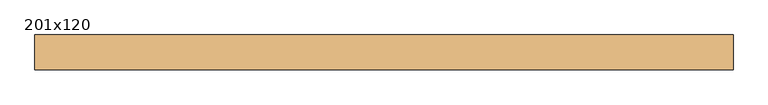
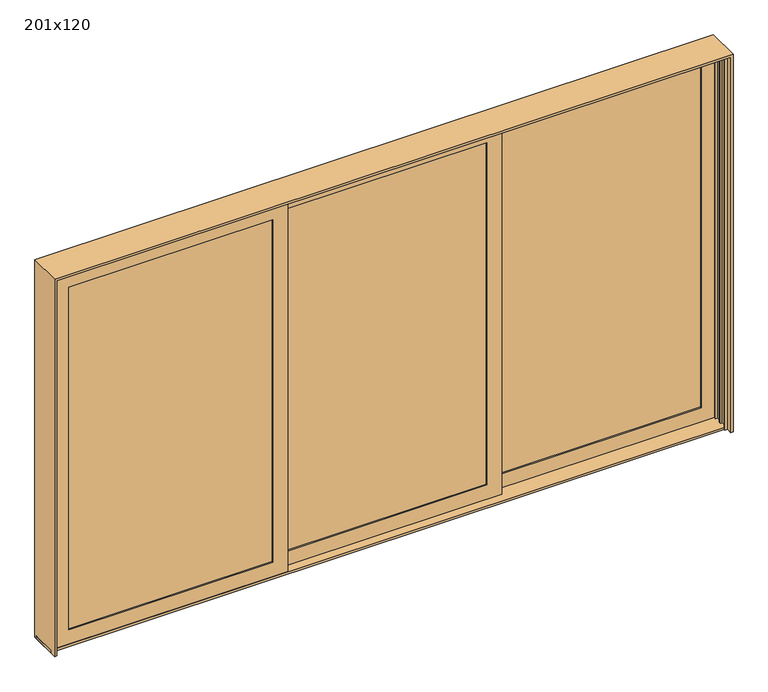
"""IFC4 building model written with IfcOpenShell, lengths in millimetres: door geometry, 201x120."""

import ifcopenshell
import ifcopenshell.guid

model = None  # the IFC model being written
_history = None  # IfcOwnerHistory: only IFC2X3 demands one
_inside = {}  # id of a spatial element -> (the spatial element, [elements in it])
_under = {}  # id of a project, library or spatial element -> (it, [spatial elements below it])
_declared = {}  # id of a project -> (the project, [libraries it declares])
_typed = {}  # id of a type object -> (the type object, [elements of that type])
_made_of = {}  # id of a material, layer set ... -> (it, [elements and type objects made of it])


def new_model(schema):
    """Start an empty IFC model of exactly this schema.

    Asked for "IFC4X3", IfcOpenShell would pick the latest addendum, in which some entities
    have other attributes; the version numbers below select the first issue.
    IFC2X3 requires an IfcOwnerHistory on every rooted entity: one is made here for all.
    """
    global model, _history
    if schema == "IFC4X3":
        model = ifcopenshell.file(schema_version=(4, 3, 0, 0))
    else:
        model = ifcopenshell.file(schema=schema)
    _inside.clear()
    _under.clear()
    _declared.clear()
    _typed.clear()
    _made_of.clear()
    _history = None
    if model.schema == "IFC2X3":
        org = make("IfcOrganization", Name="unknown")
        user = make(
            "IfcPersonAndOrganization",
            ThePerson=make("IfcPerson", FamilyName="unknown"),
            TheOrganization=org,
        )
        app = make(
            "IfcApplication",
            ApplicationDeveloper=org,
            Version="unknown",
            ApplicationFullName="unknown",
            ApplicationIdentifier="unknown",
        )
        _history = make(
            "IfcOwnerHistory",
            OwningUser=user,
            OwningApplication=app,
            ChangeAction="ADDED",
            CreationDate=0,
        )
    return model


def make(cls, **values):
    """One entity of the class cls with the attributes given. An attribute that is None is left unset."""
    return model.create_entity(
        cls, **{name: value for name, value in values.items() if value is not None}
    )


def rooted(cls, **values):
    """An entity with a GlobalId (a new one), such as an element, a storey or a relation."""
    return make(cls, GlobalId=ifcopenshell.guid.new(), OwnerHistory=_history, **values)


def si_unit(unit_type, name, prefix=None):
    """IfcSIUnit, for example si_unit("LENGTHUNIT", "METRE", prefix="MILLI")."""
    return make("IfcSIUnit", UnitType=unit_type, Prefix=prefix, Name=name)


def assignment(units):
    """IfcUnitAssignment: the units of a project."""
    return None if units is None else make("IfcUnitAssignment", Units=units)


def point(xyz):
    """IfcCartesianPoint."""
    return None if xyz is None else make("IfcCartesianPoint", Coordinates=xyz)


def direction(xyz):
    """IfcDirection."""
    return None if xyz is None else make("IfcDirection", DirectionRatios=xyz)


def frame(location, z_axis=None, x_axis=None):
    """IfcAxis2Placement3D, a coordinate frame: its origin and axes. An axis left out is left unset."""
    return make(
        "IfcAxis2Placement3D",
        Location=point(location),
        Axis=direction(z_axis),
        RefDirection=direction(x_axis),
    )


def origin():
    """The frame at (0, 0, 0) with its axes left unset."""
    return frame((0.0, 0.0, 0.0))


def place(relative_to, where):
    """IfcLocalPlacement: puts the frame where relative to a parent placement (None: the world)."""
    return make(
        "IfcLocalPlacement", PlacementRelTo=relative_to, RelativePlacement=where
    )


def context(
    kind, dimensions, precision=None, world=None, true_north=None, identifier=None
):
    """IfcGeometricRepresentationContext, for example the 3D "Model" context."""
    return make(
        "IfcGeometricRepresentationContext",
        ContextIdentifier=identifier,
        ContextType=kind,
        CoordinateSpaceDimension=dimensions,
        Precision=precision,
        WorldCoordinateSystem=world,
        TrueNorth=true_north,
    )


def project(units=None, contexts=None):
    """IfcProject with its units and contexts."""
    return rooted(
        "IfcProject",
        Name="project",
        RepresentationContexts=contexts,
        UnitsInContext=assignment(units),
    )


def spatial(cls, under=None, at=None, **own):
    """A site, building, storey or space (cls), placed at a placement, below another one or the project."""
    s = rooted(cls, ObjectPlacement=at, **own)
    if under is not None:
        _under.setdefault(under.id(), (under, []))[1].append(s)
    return s


def polyline(points):
    """IfcPolyline through the points."""
    return make("IfcPolyline", Points=[point(p) for p in points])


def outline(outer, holes=None, kind="AREA"):
    """IfcArbitraryClosedProfileDef: a profile drawn as a closed curve; with holes, ...WithVoids."""
    if holes is None:
        return make("IfcArbitraryClosedProfileDef", ProfileType=kind, OuterCurve=outer)
    return make(
        "IfcArbitraryProfileDefWithVoids",
        ProfileType=kind,
        OuterCurve=outer,
        InnerCurves=holes,
    )


def extrude(swept, where, along, depth):
    """IfcExtrudedAreaSolid: the profile swept, set in the frame where, extruded along a direction by depth."""
    return make(
        "IfcExtrudedAreaSolid",
        SweptArea=swept,
        Position=where,
        ExtrudedDirection=direction(along),
        Depth=depth,
    )


def faces_of(points, faces, orient=None, outer=None):
    """IfcFace entities. A face is a list of loops; a loop is a list of indices into points, from 0.

    orient and outer hold one flag for each loop. By default every Orientation is true, the
    first loop of a face is its IfcFaceOuterBound and the others are IfcFaceBound.
    """
    made = []
    for i, loops in enumerate(faces):
        bounds = []
        for j, loop in enumerate(loops):
            is_outer = j == 0 if outer is None else outer[i][j]
            bounds.append(
                make(
                    "IfcFaceOuterBound" if is_outer else "IfcFaceBound",
                    Bound=make("IfcPolyLoop", Polygon=[points[k] for k in loop]),
                    Orientation=True if orient is None else orient[i][j],
                )
            )
        made.append(make("IfcFace", Bounds=bounds))
    return made


def faceted_brep(points, faces, orient=None, outer=None, voids=None):
    """IfcFacetedBrep: a solid bounded by flat faces; with voids (closed shells), ...WithVoids."""
    shared = [point(p) for p in points]
    hull = make("IfcClosedShell", CfsFaces=faces_of(shared, faces, orient, outer))
    if voids is None:
        return make("IfcFacetedBrep", Outer=hull)
    return make(
        "IfcFacetedBrepWithVoids",
        Outer=hull,
        Voids=[
            make(cls, CfsFaces=faces_of(shared, fs, o, b)) for cls, fs, o, b in voids
        ],
    )


def shape(context_of_items, identifier, shape_type, items):
    """IfcShapeRepresentation: the items that make up one representation, for example the "Body"."""
    return make(
        "IfcShapeRepresentation",
        ContextOfItems=context_of_items,
        RepresentationIdentifier=identifier,
        RepresentationType=shape_type,
        Items=items,
    )


def source(mapping_origin, context_of_items, identifier, shape_type, items):
    """IfcRepresentationMap: a shape defined once, which mapped items show again and again."""
    return make(
        "IfcRepresentationMap",
        MappingOrigin=mapping_origin,
        MappedRepresentation=shape(context_of_items, identifier, shape_type, items),
    )


def transform(
    local_origin,
    x_axis=None,
    y_axis=None,
    z_axis=None,
    scale=None,
    scale2=None,
    scale3=None,
    uniform=True,
):
    """IfcCartesianTransformationOperator3D, or its non-uniform kind. x_axis, y_axis, z_axis: its Axis1, 2, 3."""
    if uniform:
        return make(
            "IfcCartesianTransformationOperator3D",
            Axis1=direction(x_axis),
            Axis2=direction(y_axis),
            LocalOrigin=point(local_origin),
            Scale=scale,
            Axis3=direction(z_axis),
        )
    return make(
        "IfcCartesianTransformationOperator3DnonUniform",
        Axis1=direction(x_axis),
        Axis2=direction(y_axis),
        LocalOrigin=point(local_origin),
        Scale=scale,
        Axis3=direction(z_axis),
        Scale2=scale2,
        Scale3=scale3,
    )


def mapped(mapping_source, mapping_target):
    """IfcMappedItem: shows the shape of a source again, moved by a transform."""
    return make(
        "IfcMappedItem", MappingSource=mapping_source, MappingTarget=mapping_target
    )


def made_of(thing, what):
    """Note that an element or type object is made of a material, layer set ...; save() writes the relation."""
    if what is not None:
        _made_of.setdefault(what.id(), (what, []))[1].append(thing)
    return thing


def element(
    cls,
    number,
    at=None,
    inside=None,
    cuts=None,
    type_object=None,
    material=None,
    context=None,
    identifier="Body",
    shape_type=None,
    held_by="IfcProductDefinitionShape",
    body=None,
    shapes=None,
    **own,
):
    """One element of the class cls, such as IfcWall. Its Tag is "e" and its number.

    at: its placement. inside: the storey or other place that contains it. cuts: it is an
    opening in that element (IfcRelVoidsElement). A single representation is given by context,
    identifier, shape_type and body (its items); several are given by shapes. held_by: the class
    of the entity that holds the representations. save() writes the other relations.
    """
    e = rooted(cls, Tag="e%d" % number, ObjectPlacement=at, **own)
    if body is not None:
        shapes = [shape(context, identifier, shape_type, body)]
    if shapes is not None:
        e.Representation = make(held_by, Representations=shapes)
    if inside is not None:
        _inside.setdefault(inside.id(), (inside, []))[1].append(e)
    if cuts is not None:
        rooted(
            "IfcRelVoidsElement", RelatingBuildingElement=cuts, RelatedOpeningElement=e
        )
    if type_object is not None:
        _typed.setdefault(type_object.id(), (type_object, []))[1].append(e)
    return made_of(e, material)


def aggregate(whole, parts):
    """IfcRelAggregates: a whole, such as a stair, and the parts it consists of."""
    return rooted("IfcRelAggregates", RelatingObject=whole, RelatedObjects=parts)


def save(model, path):
    """Write the relations noted so far, then the file.

    IfcRelAggregates (storeys below a building ...), IfcRelContainedInSpatialStructure (elements
    in a storey), IfcRelDefinesByType, IfcRelAssociatesMaterial and IfcRelDeclares: one each for
    every whole, place, type object, material and project.
    """
    for whole, parts in _under.values():
        aggregate(whole, parts)
    for where, things in _inside.values():
        rooted(
            "IfcRelContainedInSpatialStructure",
            RelatedElements=things,
            RelatingStructure=where,
        )
    for kind, things in _typed.values():
        rooted("IfcRelDefinesByType", RelatedObjects=things, RelatingType=kind)
    for what, things in _made_of.values():
        rooted("IfcRelAssociatesMaterial", RelatedObjects=things, RelatingMaterial=what)
    for by, libraries in _declared.values():
        rooted("IfcRelDeclares", RelatingContext=by, RelatedDefinitions=libraries)
    model.write(path)


def door_201x120_ee6e2faf(model_context):
    return source(origin(), model_context, "Body", "SolidModel", [
        extrude(outline(polyline([(2464.5797889, 94.5255529), (881.3004223, 94.5255529), (881.3004223, 97.7005529), (2464.5797889, 97.7005529), (2464.5797889, 94.5255529)])), frame((0.0, 0.0, 121.4374), z_axis=(0.0, 0.0, 1.0), x_axis=(1.0, 0.0, 0.0)), (0.0, 0.0, 1.0), 2789.2502),
        extrude(outline(polyline([(2464.5797889, 78.6505529), (2464.5797889, 75.4755529), (881.3004223, 75.4755529), (881.3004223, 78.6505529), (2464.5797889, 78.6505529)])), frame((0.0, 0.0, 121.4374), z_axis=(0.0, 0.0, 1.0), x_axis=(1.0, 0.0, 0.0)), (0.0, 0.0, 1.0), 2789.2502),
        faceted_brep([(2467.7547889, 75.4755529, 118.2624), (2467.7547889, 99.2753731, 118.2624), (878.1254223, 99.2753731, 118.2624), (878.1254223, 75.4755529, 118.2624), (2451.8797889, 65.1504529, 134.1374), (2451.8797889, 75.4755529, 134.1374), (894.0004223, 75.4755529, 134.1374), (894.0004223, 65.1504529, 134.1374), (2566.9671889, 108.7919185, 19.05), (2566.9671889, 65.1504529, 19.05), (778.9130223, 65.1504529, 19.05), (778.9130223, 108.7919185, 19.05), (2451.8813969, 99.2753731, 134.135792), (2451.8813969, 108.7919185, 134.135792), (893.9988143, 108.7919185, 134.135792), (893.9988143, 99.2753731, 134.135792), (878.1254223, 99.2753731, 2913.8626), (878.1254223, 75.4755529, 2913.8626), (894.0004223, 75.4755529, 2897.9876), (894.0004223, 65.1504529, 2897.9876), (778.9130223, 65.1504529, 3013.075), (778.9130223, 108.7919185, 3013.075), (893.9988143, 108.7919185, 2897.989208), (893.9988143, 99.2753731, 2897.989208), (2467.7547889, 99.2753731, 2913.8626), (2467.7547889, 75.4755529, 2913.8626), (2451.8797889, 75.4755529, 2897.9876), (2451.8797889, 65.1504529, 2897.9876), (2566.9671889, 65.1504529, 3013.075), (2566.9671889, 108.7919185, 3013.075), (2451.8813969, 108.7919185, 2897.989208), (2451.8813969, 99.2753731, 2897.989208)], [[[0, 1, 2, 3]], [[4, 5, 6, 7]], [[8, 9, 10, 11]], [[12, 13, 14, 15]], [[3, 2, 16, 17]], [[7, 6, 18, 19]], [[11, 10, 20, 21]], [[15, 14, 22, 23]], [[17, 16, 24, 25]], [[19, 18, 26, 27]], [[21, 20, 28, 29]], [[23, 22, 30, 31]], [[25, 24, 1, 0]], [[3, 17, 25, 0], [5, 26, 18, 6]], [[27, 26, 5, 4]], [[9, 28, 20, 10], [7, 19, 27, 4]], [[29, 28, 9, 8]], [[11, 21, 29, 8], [13, 30, 22, 14]], [[31, 30, 13, 12]], [[1, 24, 16, 2], [15, 23, 31, 12]]]),
        extrude(outline(polyline([(791.6679524, 31.0194307), (-791.6114143, 31.0194307), (-791.6114143, 34.1944307), (791.6679524, 34.1944307), (791.6679524, 31.0194307)])), frame((0.0, 0.0, 121.4374), z_axis=(0.0, 0.0, 1.0), x_axis=(1.0, 0.0, 0.0)), (0.0, 0.0, 1.0), 2789.2502),
        extrude(outline(polyline([(791.6679524, 15.1444307), (791.6679524, 11.9694307), (-791.6114143, 11.9694307), (-791.6114143, 15.1444307), (791.6679524, 15.1444307)])), frame((0.0, 0.0, 121.4374), z_axis=(0.0, 0.0, 1.0), x_axis=(1.0, 0.0, 0.0)), (0.0, 0.0, 1.0), 2789.2502),
        faceted_brep([(794.8429524, 11.9694307, 118.2624), (794.8429524, 35.7692509, 118.2624), (-794.7864143, 35.7692509, 118.2624), (-794.7864143, 11.9694307, 118.2624), (778.9679524, 1.6443307, 134.1374), (778.9679524, 11.9694307, 134.1374), (-778.9114143, 11.9694307, 134.1374), (-778.9114143, 1.6443307, 134.1374), (894.0553524, 45.2857963, 19.05), (894.0553524, 1.6443307, 19.05), (-893.9988143, 1.6443307, 19.05), (-893.9988143, 45.2857963, 19.05), (778.9695604, 35.7692509, 134.135792), (778.9695604, 45.2857963, 134.135792), (-778.9130223, 45.2857963, 134.135792), (-778.9130223, 35.7692509, 134.135792), (-794.7864143, 35.7692509, 2913.8626), (-794.7864143, 11.9694307, 2913.8626), (-778.9114143, 11.9694307, 2897.9876), (-778.9114143, 1.6443307, 2897.9876), (-893.9988143, 1.6443307, 3013.075), (-893.9988143, 45.2857963, 3013.075), (-778.9130223, 45.2857963, 2897.989208), (-778.9130223, 35.7692509, 2897.989208), (794.8429524, 35.7692509, 2913.8626), (794.8429524, 11.9694307, 2913.8626), (778.9679524, 11.9694307, 2897.9876), (778.9679524, 1.6443307, 2897.9876), (894.0553524, 1.6443307, 3013.075), (894.0553524, 45.2857963, 3013.075), (778.9695604, 45.2857963, 2897.989208), (778.9695604, 35.7692509, 2897.989208)], [[[0, 1, 2, 3]], [[4, 5, 6, 7]], [[8, 9, 10, 11]], [[12, 13, 14, 15]], [[3, 2, 16, 17]], [[7, 6, 18, 19]], [[11, 10, 20, 21]], [[15, 14, 22, 23]], [[17, 16, 24, 25]], [[19, 18, 26, 27]], [[21, 20, 28, 29]], [[23, 22, 30, 31]], [[25, 24, 1, 0]], [[3, 17, 25, 0], [5, 26, 18, 6]], [[27, 26, 5, 4]], [[9, 28, 20, 10], [7, 19, 27, 4]], [[29, 28, 9, 8]], [[11, 21, 29, 8], [13, 30, 22, 14]], [[31, 30, 13, 12]], [[1, 24, 16, 2], [15, 23, 31, 12]]]),
        extrude(outline(polyline([(-881.3004223, -32.4719071), (-2464.5797889, -32.4719071), (-2464.5797889, -29.2969071), (-881.3004223, -29.2969071), (-881.3004223, -32.4719071)])), frame((0.0, 0.0, 121.4374), z_axis=(0.0, 0.0, 1.0), x_axis=(1.0, 0.0, 0.0)), (0.0, 0.0, 1.0), 2789.2502),
        extrude(outline(polyline([(-881.3004223, -48.3469071), (-881.3004223, -51.5219071), (-2464.5797889, -51.5219071), (-2464.5797889, -48.3469071), (-881.3004223, -48.3469071)])), frame((0.0, 0.0, 121.4374), z_axis=(0.0, 0.0, 1.0), x_axis=(1.0, 0.0, 0.0)), (0.0, 0.0, 1.0), 2789.2502),
        faceted_brep([(-878.1254223, -51.5219071, 118.2624), (-878.1254223, -27.7220869, 118.2624), (-2467.7547889, -27.7220869, 118.2624), (-2467.7547889, -51.5219071, 118.2624), (-894.0004223, -61.8470071, 134.1374), (-894.0004223, -51.5219071, 134.1374), (-2451.8797889, -51.5219071, 134.1374), (-2451.8797889, -61.8470071, 134.1374), (-778.9130223, -18.2055415, 19.05), (-778.9130223, -61.8470071, 19.05), (-2566.9671889, -61.8470071, 19.05), (-2566.9671889, -18.2055415, 19.05), (-893.9988143, -27.7220869, 134.135792), (-893.9988143, -18.2055415, 134.135792), (-2451.8813969, -18.2055415, 134.135792), (-2451.8813969, -27.7220869, 134.135792), (-2467.7547889, -27.7220869, 2913.8626), (-2467.7547889, -51.5219071, 2913.8626), (-2451.8797889, -51.5219071, 2897.9876), (-2451.8797889, -61.8470071, 2897.9876), (-2566.9671889, -61.8470071, 3013.075), (-2566.9671889, -18.2055415, 3013.075), (-2451.8813969, -18.2055415, 2897.989208), (-2451.8813969, -27.7220869, 2897.989208), (-878.1254223, -27.7220869, 2913.8626), (-878.1254223, -51.5219071, 2913.8626), (-894.0004223, -51.5219071, 2897.9876), (-894.0004223, -61.8470071, 2897.9876), (-778.9130223, -61.8470071, 3013.075), (-778.9130223, -18.2055415, 3013.075), (-893.9988143, -18.2055415, 2897.989208), (-893.9988143, -27.7220869, 2897.989208)], [[[0, 1, 2, 3]], [[4, 5, 6, 7]], [[8, 9, 10, 11]], [[12, 13, 14, 15]], [[3, 2, 16, 17]], [[7, 6, 18, 19]], [[11, 10, 20, 21]], [[15, 14, 22, 23]], [[17, 16, 24, 25]], [[19, 18, 26, 27]], [[21, 20, 28, 29]], [[23, 22, 30, 31]], [[25, 24, 1, 0]], [[3, 17, 25, 0], [5, 26, 18, 6]], [[27, 26, 5, 4]], [[9, 28, 20, 10], [7, 19, 27, 4]], [[29, 28, 9, 8]], [[11, 21, 29, 8], [13, 30, 22, 14]], [[31, 30, 13, 12]], [[1, 24, 16, 2], [15, 23, 31, 12]]]),
        extrude(outline(polyline([(124.6563029, 20.6375), (124.6563029, 0.0), (-64.2561971, 0.0), (-64.2561971, 19.05), (111.9563029, 19.05), (111.9563029, 20.6375), (124.6563029, 20.6375)])), frame((-2590.7796889, 0.0, 0.0), z_axis=(1.0, 0.0, 0.0), x_axis=(0.0, 1.0, 0.0)), (0.0, 0.0, 1.0), 5181.5796889),
        faceted_brep([(-2590.7796889, 142.1188029, 0.0), (-2552.6796889, 142.1188029, 0.0), (-2552.6796889, 112.3785779, 0.0), (-2566.9671889, 112.3785779, 0.0), (-2566.9671889, 61.5785779, 0.0), (-2552.6796889, 61.5785779, 0.0), (-2552.6796889, 48.8798479, 0.0), (-2566.9671889, 48.8798479, 0.0), (-2566.9671889, -1.9201521, 0.0), (-2552.6796889, -1.9201521, 0.0), (-2552.6796889, -14.6188821, 0.0), (-2566.9671889, -14.6188821, 0.0), (-2566.9671889, -65.4188821, 0.0), (-2552.6007813, -65.4188821, 0.0), (-2552.6007813, -74.3082471, 0.0), (-2573.3779813, -74.3082471, 0.0), (-2573.3779813, -117.8375264, 0.0), (-2590.7796889, -117.8375264, 0.0), (2590.7796889, 142.1188029, 0.0), (2590.7796889, -117.8375264, 0.0), (2573.3779812, -117.8375264, 0.0), (2573.3779812, -74.3082471, 0.0), (2552.6007812, -74.3082471, 0.0), (2552.6007812, -65.4188821, 0.0), (2566.9671889, -65.4188821, 0.0), (2566.9671889, -14.6188821, 0.0), (2552.6796889, -14.6188821, 0.0), (2552.6796889, -1.9201521, 0.0), (2566.9671889, -1.9201521, 0.0), (2566.9671889, 48.8798479, 0.0), (2552.6796889, 48.8798479, 0.0), (2552.6796889, 61.5785779, 0.0), (2566.9671889, 61.5785779, 0.0), (2566.9671889, 112.3785779, 0.0), (2552.6796889, 112.3785779, 0.0), (2552.6796889, 142.1188029, 0.0), (-2590.7796889, -117.8375264, 3047.9796889), (-2590.7796889, 142.1188029, 3047.9796889), (-2573.3779813, -117.8375264, 3030.5779812), (2573.3779812, -117.8375264, 3030.5779812), (2590.7796889, -117.8375264, 3047.9796889), (-2573.3779813, -74.3082471, 3030.5779812), (-2552.6007813, -74.3082471, 3009.8007812), (2552.6007812, -74.3082471, 3009.8007812), (2573.3779812, -74.3082471, 3030.5779812), (-2552.6007813, -65.4188821, 3009.8007812), (-2566.9671889, -65.4188821, 3024.1671889), (2566.9671889, -65.4188821, 3024.1671889), (2552.6007812, -65.4188821, 3009.8007812), (-2566.9671889, -14.6188821, 3024.1671889), (-2552.6796889, -14.6188821, 3009.8796889), (2552.6796889, -14.6188821, 3009.8796889), (2566.9671889, -14.6188821, 3024.1671889), (-2552.6796889, -1.9201521, 3009.8796889), (-2566.9671889, -1.9201521, 3024.1671889), (2566.9671889, -1.9201521, 3024.1671889), (2552.6796889, -1.9201521, 3009.8796889), (-2566.9671889, 48.8798479, 3024.1671889), (-2552.6796889, 48.8798479, 3009.8796889), (2552.6796889, 48.8798479, 3009.8796889), (2566.9671889, 48.8798479, 3024.1671889), (-2552.6796889, 61.5785779, 3009.8796889), (-2566.9671889, 61.5785779, 3024.1671889), (2566.9671889, 61.5785779, 3024.1671889), (2552.6796889, 61.5785779, 3009.8796889), (-2566.9671889, 112.3785779, 3024.1671889), (-2552.6796889, 112.3785779, 3009.8796889), (2552.6796889, 112.3785779, 3009.8796889), (2566.9671889, 112.3785779, 3024.1671889), (-2552.6796889, 142.1188029, 3009.8796889), (2590.7796889, 142.1188029, 3047.9796889), (2552.6796889, 142.1188029, 3009.8796889)], [[[0, 1, 2, 3, 4, 5, 6, 7, 8, 9, 10, 11, 12, 13, 14, 15, 16, 17]], [[18, 19, 20, 21, 22, 23, 24, 25, 26, 27, 28, 29, 30, 31, 32, 33, 34, 35]], [[0, 17, 36, 37]], [[17, 16, 38, 39, 20, 19, 40, 36]], [[16, 15, 41, 38]], [[15, 14, 42, 43, 22, 21, 44, 41]], [[14, 13, 45, 42]], [[13, 12, 46, 47, 24, 23, 48, 45]], [[12, 11, 49, 46]], [[11, 10, 50, 51, 26, 25, 52, 49]], [[10, 9, 53, 50]], [[9, 8, 54, 55, 28, 27, 56, 53]], [[8, 7, 57, 54]], [[7, 6, 58, 59, 30, 29, 60, 57]], [[6, 5, 61, 58]], [[5, 4, 62, 63, 32, 31, 64, 61]], [[4, 3, 65, 62]], [[3, 2, 66, 67, 34, 33, 68, 65]], [[2, 1, 69, 66]], [[1, 0, 37, 70, 18, 35, 71, 69]], [[37, 36, 40, 70]], [[38, 41, 44, 39]], [[42, 45, 48, 43]], [[46, 49, 52, 47]], [[50, 53, 56, 51]], [[54, 57, 60, 55]], [[58, 61, 64, 59]], [[62, 65, 68, 63]], [[66, 69, 71, 67]], [[70, 40, 19, 18]], [[39, 44, 21, 20]], [[43, 48, 23, 22]], [[47, 52, 25, 24]], [[51, 56, 27, 26]], [[55, 60, 29, 28]], [[59, 64, 31, 30]], [[63, 68, 33, 32]], [[67, 71, 35, 34]]]),
    ])


if __name__ == "__main__":
    model = new_model("IFC4")
    model_context = context("Model", 3, world=origin())
    ifc_project = project(units=[si_unit("LENGTHUNIT", "METRE", prefix="MILLI")], contexts=[model_context])
    site = spatial("IfcSite", under=ifc_project)
    building = spatial("IfcBuilding", under=site)
    placement = place(None, origin())
    door_201x120_shape = door_201x120_ee6e2faf(model_context)
    element("IfcDoor", 1, ObjectType="201x120", at=placement, inside=building, context=model_context, shape_type="MappedRepresentation", body=[
        mapped(door_201x120_shape, transform((0.0, 0.0, 0.0), x_axis=(1.0, 0.0, 0.0), y_axis=(0.0, 1.0, 0.0), z_axis=(0.0, 0.0, 1.0))),
    ])
    save(model, "model.ifc")
